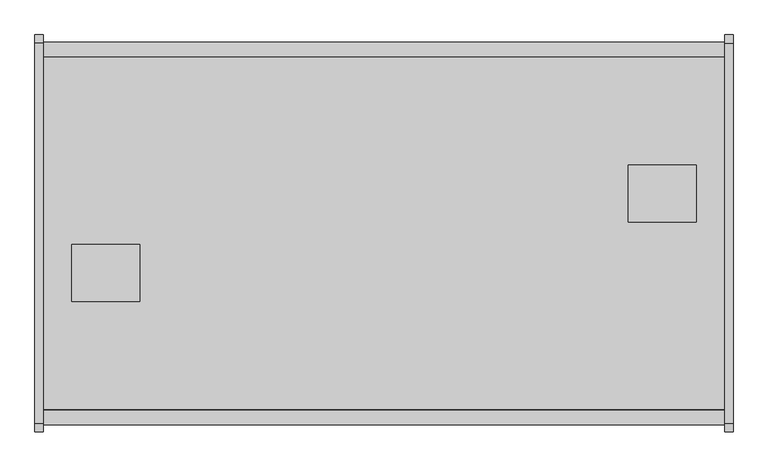
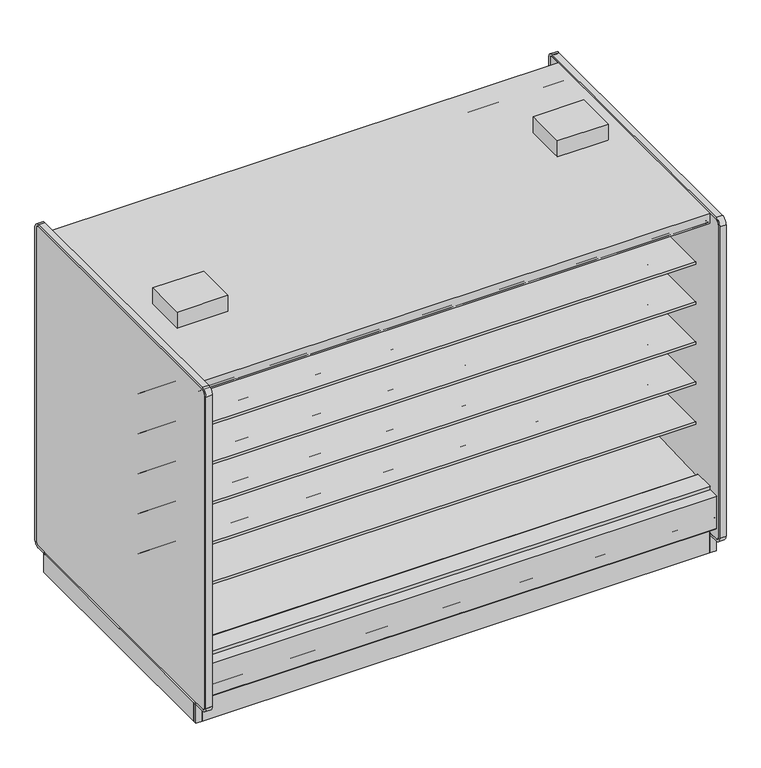
"""IFC4 building model written with IfcOpenShell, lengths in millimetres: proxy geometry."""

from ifc_helpers import new_model, si_unit, point, frame, frame_2d, origin, origin_with_axes, place, context, project, spatial, polyline, circle_curve, trimmed, segment, composite_curve, outline, extrude, faceted_brep, source, transform, mapped, element, save
from ifc_brep_helpers import plane_surface, revolved_surface, advanced_brep


def mechanical_equipment_3f1a71d0(model_context):
    return source(origin(), model_context, "Body", "SolidModel", [
        extrude(outline(polyline([(0.0, -76.1999999), (0.0, 0.0), (3048.0, 0.0), (3048.0, -76.1999999), (0.0, -76.1999999)])), frame((3048.0, -1111.3633008, 2065.3671599), z_axis=(0.0, 0.08686991344751496, 0.9962196635971514), x_axis=(-1.0, 0.0, 0.0)), (0.0, 0.0, 1.0), 13.3555803),
        extrude(outline(polyline([(0.0, -76.2), (0.0, 0.0), (3048.0, 0.0), (3048.0, -76.2), (0.0, -76.2)])), frame((3048.0, 288.8472236, 2059.4611282), z_axis=(0.0, -0.086869913447515, 0.9962196635971514), x_axis=(-1.0, 0.0, 0.0)), (0.0, 0.0, 1.0), 13.3555803),
        extrude(outline(polyline([(-38.1, -1158.0606273), (-38.1, 424.3593727), (0.0, 424.3593727), (0.0, -1158.0606273), (-38.1, -1158.0606273)])), origin_with_axes(), (0.0, 0.0, 1.0), 117.8306),
        extrude(outline(composite_curve([segment(polyline([(-292.5492106, 428.2688536), (291.885082, 406.4402197), (291.885082, 424.9364317)]), True, "CONTINUOUS"), segment(trimmed(circle_curve(frame_2d((293.942482, 424.9364317)), 2.0574), [point((291.885082, 424.9364317))], [point((293.942482, 426.9938317))], False, "CARTESIAN"), True, "CONTINUOUS"), segment(polyline([(293.942482, 426.9938317), (416.0514424, 426.9938317), (416.0514424, 284.5082843), (302.7767261, 189.4595117), (287.2311894, 190.0023738), (241.8789947, 157.1934642), (177.3766842, 159.4459345), (137.2934582, 192.9404113), (-344.0537782, 221.8688632), (-344.0537782, 428.2688536), (-292.5492106, 428.2688536)]), True, "CONTINUOUS")], self_intersect=False)), frame((0.0, 0.0, 0.0), z_axis=(1.0, 0.0, 0.0), x_axis=(0.0, 1.0, 0.0)), (0.0, 0.0, 1.0), 3048.0),
        extrude(outline(polyline([(392.5474807, -0.0519335), (392.5474807, 194.123201), (411.5974807, 210.1080489), (411.5974807, -0.0519335), (392.5474807, -0.0519335)])), frame((0.0, 0.0, 0.0), z_axis=(1.0, 0.0, 0.0), x_axis=(0.0, 1.0, 0.0)), (0.0, 0.0, 1.0), 3048.0),
        extrude(outline(polyline([(-1139.0106273, 0.0), (-1158.0606273, 0.0), (-1158.0606273, 210.1599825), (-1139.0106273, 194.1751345), (-1139.0106273, 0.0)])), frame((0.0, 0.0, 0.0), z_axis=(1.0, 0.0, 0.0), x_axis=(0.0, 1.0, 0.0)), (0.0, 0.0, 1.0), 3048.0),
        extrude(outline(polyline([(431.8, -424.0006273), (431.8, -678.0006273), (127.0, -678.0006273), (127.0, -424.0006273), (431.8, -424.0006273)])), frame((0.0, 0.0, 2159.2248848), z_axis=(0.0, 0.0, 1.0), x_axis=(1.0, 0.0, 0.0)), (0.0, 0.0, 1.0), 101.6),
        extrude(outline(polyline([(2616.2, -322.4006273), (2616.2, -68.4006273), (2921.0, -68.4006273), (2921.0, -322.4006273), (2616.2, -322.4006273)])), frame((0.0, 0.0, 2159.2248848), z_axis=(0.0, 0.0, 1.0), x_axis=(1.0, 0.0, 0.0)), (0.0, 0.0, 1.0), 101.6),
        extrude(outline(polyline([(3086.1, 424.3593727), (3086.1, -1158.0606273), (3048.0, -1158.0606273), (3048.0, 424.3593727), (3086.1, 424.3593727)])), origin_with_axes(), (0.0, 0.0, 1.0), 117.8306),
        extrude(outline(composite_curve([segment(polyline([(-292.5492106, 1659.986997), (-292.5492106, 1760.7972725), (266.2507894, 1760.7972725), (266.2507894, 1747.3035225), (145.7947875, 1747.3035225), (145.7947875, 1743.0191961), (-193.6128858, 1710.408706)]), True, "CONTINUOUS"), segment(trimmed(circle_curve(frame_2d((-186.7598764, 1647.2795822)), 63.5), [point((-193.6128858, 1710.408706))], [point((-226.8243495, 1696.545067))], True, "CARTESIAN"), True, "CONTINUOUS"), segment(polyline([(-226.8243495, 1696.545067), (-265.0460501, 1665.4617985)]), True, "CONTINUOUS"), segment(trimmed(circle_curve(frame_2d((-280.9533727, 1684.8267077)), 25.0607786), [point((-265.0460501, 1665.4617985))], [point((-281.4413184, 1659.7706798))], False, "CARTESIAN"), True, "CONTINUOUS"), segment(polyline([(-281.4413184, 1659.7706798), (-292.5492106, 1659.986997)]), True, "CONTINUOUS")], self_intersect=False)), frame((0.0, 0.0, 0.0), z_axis=(1.0, 0.0, 0.0), x_axis=(0.0, 1.0, 0.0)), (0.0, 0.0, 1.0), 3048.0),
        extrude(outline(composite_curve([segment(polyline([(-292.5492106, 643.986997), (-292.5492106, 744.7972725), (266.2507894, 744.7972725), (266.2507894, 731.3035225), (145.7947875, 731.3035225), (145.7947875, 727.0191961), (-193.6128858, 694.408706)]), True, "CONTINUOUS"), segment(trimmed(circle_curve(frame_2d((-186.7598764, 631.2795822)), 63.5), [point((-193.6128858, 694.408706))], [point((-226.8243495, 680.545067))], True, "CARTESIAN"), True, "CONTINUOUS"), segment(polyline([(-226.8243495, 680.545067), (-265.0460501, 649.4617985)]), True, "CONTINUOUS"), segment(trimmed(circle_curve(frame_2d((-280.9533727, 668.8267077)), 25.0607786), [point((-265.0460501, 649.4617985))], [point((-281.4413184, 643.7706798))], False, "CARTESIAN"), True, "CONTINUOUS"), segment(polyline([(-281.4413184, 643.7706798), (-292.5492106, 643.986997)]), True, "CONTINUOUS")], self_intersect=False)), frame((0.0, 0.0, 0.0), z_axis=(1.0, 0.0, 0.0), x_axis=(0.0, 1.0, 0.0)), (0.0, 0.0, 1.0), 3048.0),
        extrude(outline(composite_curve([segment(polyline([(-292.5492106, 897.986997), (-292.5492106, 998.7972725), (266.2507894, 998.7972725), (266.2507894, 985.3035225), (145.7947875, 985.3035225), (145.7947875, 981.0191961), (-193.6128858, 948.408706)]), True, "CONTINUOUS"), segment(trimmed(circle_curve(frame_2d((-186.7598764, 885.2795822)), 63.5), [point((-193.6128858, 948.408706))], [point((-226.8243495, 934.545067))], True, "CARTESIAN"), True, "CONTINUOUS"), segment(polyline([(-226.8243495, 934.545067), (-265.0460501, 903.4617985)]), True, "CONTINUOUS"), segment(trimmed(circle_curve(frame_2d((-280.9533727, 922.8267077)), 25.0607786), [point((-265.0460501, 903.4617985))], [point((-281.4413184, 897.7706798))], False, "CARTESIAN"), True, "CONTINUOUS"), segment(polyline([(-281.4413184, 897.7706798), (-292.5492106, 897.986997)]), True, "CONTINUOUS")], self_intersect=False)), frame((0.0, 0.0, 0.0), z_axis=(1.0, 0.0, 0.0), x_axis=(0.0, 1.0, 0.0)), (0.0, 0.0, 1.0), 3048.0),
        extrude(outline(composite_curve([segment(polyline([(-292.5492106, 1151.986997), (-292.5492106, 1252.7972725), (266.2507894, 1252.7972725), (266.2507894, 1239.3035225), (145.7947875, 1239.3035225), (145.7947875, 1235.0191961), (-193.6128858, 1202.408706)]), True, "CONTINUOUS"), segment(trimmed(circle_curve(frame_2d((-186.7598764, 1139.2795822)), 63.5), [point((-193.6128858, 1202.408706))], [point((-226.8243495, 1188.545067))], True, "CARTESIAN"), True, "CONTINUOUS"), segment(polyline([(-226.8243495, 1188.545067), (-265.0460501, 1157.4617985)]), True, "CONTINUOUS"), segment(trimmed(circle_curve(frame_2d((-280.9533727, 1176.8267077)), 25.0607786), [point((-265.0460501, 1157.4617985))], [point((-281.4413184, 1151.7706798))], False, "CARTESIAN"), True, "CONTINUOUS"), segment(polyline([(-281.4413184, 1151.7706798), (-292.5492106, 1151.986997)]), True, "CONTINUOUS")], self_intersect=False)), frame((0.0, 0.0, 0.0), z_axis=(1.0, 0.0, 0.0), x_axis=(0.0, 1.0, 0.0)), (0.0, 0.0, 1.0), 3048.0),
        extrude(outline(composite_curve([segment(polyline([(-292.5492106, 1405.986997), (-292.5492106, 1506.7972725), (266.2507894, 1506.7972725), (266.2507894, 1493.3035225), (145.7947875, 1493.3035225), (145.7947875, 1489.0191961), (-193.6128858, 1456.408706)]), True, "CONTINUOUS"), segment(trimmed(circle_curve(frame_2d((-186.7598764, 1393.2795822)), 63.5), [point((-193.6128858, 1456.408706))], [point((-226.8243495, 1442.545067))], True, "CARTESIAN"), True, "CONTINUOUS"), segment(polyline([(-226.8243495, 1442.545067), (-265.0460501, 1411.4617985)]), True, "CONTINUOUS"), segment(trimmed(circle_curve(frame_2d((-280.9533727, 1430.8267077)), 25.0607786), [point((-265.0460501, 1411.4617985))], [point((-281.4413184, 1405.7706798))], False, "CARTESIAN"), True, "CONTINUOUS"), segment(polyline([(-281.4413184, 1405.7706798), (-292.5492106, 1405.986997)]), True, "CONTINUOUS")], self_intersect=False)), frame((0.0, 0.0, 0.0), z_axis=(1.0, 0.0, 0.0), x_axis=(0.0, 1.0, 0.0)), (0.0, 0.0, 1.0), 3048.0),
        extrude(outline(composite_curve([segment(polyline([(-94.7483469, 2070.6501297), (-292.5492106, 2070.6501297), (-292.5492106, 428.2688536), (-344.0537782, 428.2688536), (-344.0537782, 2096.4201079), (398.3751091, 2096.4201079), (398.3751091, 2092.4645258)]), True, "CONTINUOUS"), segment(trimmed(circle_curve(frame_2d((395.8351091, 2092.4645258)), 2.54), [point((398.3751091, 2092.4645258))], [point((395.8351091, 2089.9245258))], False, "CARTESIAN"), True, "CONTINUOUS"), segment(polyline([(395.8351091, 2089.9245258), (381.1085354, 2089.9245258)]), True, "CONTINUOUS"), segment(trimmed(circle_curve(frame_2d((381.1085354, 2087.3845258)), 2.54), [point((381.1085354, 2089.9245258))], [point((378.5685354, 2087.3845258))], True, "CARTESIAN"), True, "CONTINUOUS"), segment(polyline([(378.5685354, 2087.3845258), (378.5685354, 2074.4415989)]), True, "CONTINUOUS"), segment(trimmed(circle_curve(frame_2d((376.0285354, 2074.4415989)), 2.54), [point((378.5685354, 2074.4415989))], [point((376.0285354, 2071.9015989))], False, "CARTESIAN"), True, "CONTINUOUS"), segment(polyline([(376.0285354, 2071.9015989), (367.3424655, 2071.9015989)]), True, "CONTINUOUS"), segment(trimmed(circle_curve(frame_2d((367.3424655, 2074.4415989)), 2.54), [point((367.3424655, 2071.9015989))], [point((364.8024655, 2074.4415989))], False, "CARTESIAN"), True, "CONTINUOUS"), segment(polyline([(364.8024655, 2074.4415989), (364.8024655, 2080.1715419), (286.911575, 2073.3794907), (286.9575805, 2070.6501297), (-94.7483469, 2070.6501297)]), True, "CONTINUOUS")], self_intersect=False)), frame((0.0, 0.0, 0.0), z_axis=(1.0, 0.0, 0.0), x_axis=(0.0, 1.0, 0.0)), (0.0, 0.0, 1.0), 3048.0),
        extrude(outline(composite_curve([segment(polyline([(-453.852044, 1659.1586039), (-464.9599362, 1658.9422868)]), True, "CONTINUOUS"), segment(trimmed(circle_curve(frame_2d((-465.4478819, 1683.9983146)), 25.0607786), [point((-464.9599362, 1658.9422868))], [point((-481.3552045, 1664.6334054))], False, "CARTESIAN"), True, "CONTINUOUS"), segment(polyline([(-481.3552045, 1664.6334054), (-519.5769051, 1695.716674)]), True, "CONTINUOUS"), segment(trimmed(circle_curve(frame_2d((-559.6413782, 1646.4511892)), 63.5), [point((-519.5769051, 1695.716674))], [point((-552.7883688, 1709.5803129))], True, "CARTESIAN"), True, "CONTINUOUS"), segment(polyline([(-552.7883688, 1709.5803129), (-892.1960421, 1742.190803), (-892.1960421, 1746.4751294), (-1012.652044, 1746.4751294), (-1012.652044, 1759.9688794), (-453.852044, 1759.9688794), (-453.852044, 1659.1586039)]), True, "CONTINUOUS")], self_intersect=False)), frame((0.0, 0.0, 0.0), z_axis=(1.0, 0.0, 0.0), x_axis=(0.0, 1.0, 0.0)), (0.0, 0.0, 1.0), 3048.0),
        extrude(outline(composite_curve([segment(polyline([(-453.852044, 643.1586039), (-464.9599362, 642.9422868)]), True, "CONTINUOUS"), segment(trimmed(circle_curve(frame_2d((-465.4478819, 667.9983146)), 25.0607786), [point((-464.9599362, 642.9422868))], [point((-481.3552045, 648.6334054))], False, "CARTESIAN"), True, "CONTINUOUS"), segment(polyline([(-481.3552045, 648.6334054), (-519.5769051, 679.716674)]), True, "CONTINUOUS"), segment(trimmed(circle_curve(frame_2d((-559.6413782, 630.4511892)), 63.5), [point((-519.5769051, 679.716674))], [point((-552.7883688, 693.5803129))], True, "CARTESIAN"), True, "CONTINUOUS"), segment(polyline([(-552.7883688, 693.5803129), (-892.1960421, 726.190803), (-892.1960421, 730.4751294), (-1012.652044, 730.4751294), (-1012.652044, 743.9688794), (-453.852044, 743.9688794), (-453.852044, 643.1586039)]), True, "CONTINUOUS")], self_intersect=False)), frame((0.0, 0.0, 0.0), z_axis=(1.0, 0.0, 0.0), x_axis=(0.0, 1.0, 0.0)), (0.0, 0.0, 1.0), 3048.0),
        extrude(outline(composite_curve([segment(polyline([(-453.852044, 897.1586039), (-464.9599362, 896.9422868)]), True, "CONTINUOUS"), segment(trimmed(circle_curve(frame_2d((-465.4478819, 921.9983146)), 25.0607786), [point((-464.9599362, 896.9422868))], [point((-481.3552045, 902.6334054))], False, "CARTESIAN"), True, "CONTINUOUS"), segment(polyline([(-481.3552045, 902.6334054), (-519.5769051, 933.716674)]), True, "CONTINUOUS"), segment(trimmed(circle_curve(frame_2d((-559.6413782, 884.4511892)), 63.5), [point((-519.5769051, 933.716674))], [point((-552.7883688, 947.5803129))], True, "CARTESIAN"), True, "CONTINUOUS"), segment(polyline([(-552.7883688, 947.5803129), (-892.1960421, 980.190803), (-892.1960421, 984.4751294), (-1012.652044, 984.4751294), (-1012.652044, 997.9688794), (-453.852044, 997.9688794), (-453.852044, 897.1586039)]), True, "CONTINUOUS")], self_intersect=False)), frame((0.0, 0.0, 0.0), z_axis=(1.0, 0.0, 0.0), x_axis=(0.0, 1.0, 0.0)), (0.0, 0.0, 1.0), 3048.0),
        extrude(outline(composite_curve([segment(polyline([(-453.852044, 1151.1586039), (-464.9599362, 1150.9422868)]), True, "CONTINUOUS"), segment(trimmed(circle_curve(frame_2d((-465.4478819, 1175.9983146)), 25.0607786), [point((-464.9599362, 1150.9422868))], [point((-481.3552045, 1156.6334054))], False, "CARTESIAN"), True, "CONTINUOUS"), segment(polyline([(-481.3552045, 1156.6334054), (-519.5769051, 1187.716674)]), True, "CONTINUOUS"), segment(trimmed(circle_curve(frame_2d((-559.6413782, 1138.4511892)), 63.5), [point((-519.5769051, 1187.716674))], [point((-552.7883688, 1201.5803129))], True, "CARTESIAN"), True, "CONTINUOUS"), segment(polyline([(-552.7883688, 1201.5803129), (-892.1960421, 1234.190803), (-892.1960421, 1238.4751294), (-1012.652044, 1238.4751294), (-1012.652044, 1251.9688794), (-453.852044, 1251.9688794), (-453.852044, 1151.1586039)]), True, "CONTINUOUS")], self_intersect=False)), frame((0.0, 0.0, 0.0), z_axis=(1.0, 0.0, 0.0), x_axis=(0.0, 1.0, 0.0)), (0.0, 0.0, 1.0), 3048.0),
        extrude(outline(composite_curve([segment(polyline([(-453.852044, 1405.1586039), (-464.9599362, 1404.9422868)]), True, "CONTINUOUS"), segment(trimmed(circle_curve(frame_2d((-465.4478819, 1429.9983146)), 25.0607786), [point((-464.9599362, 1404.9422868))], [point((-481.3552045, 1410.6334054))], False, "CARTESIAN"), True, "CONTINUOUS"), segment(polyline([(-481.3552045, 1410.6334054), (-519.5769051, 1441.716674)]), True, "CONTINUOUS"), segment(trimmed(circle_curve(frame_2d((-559.6413782, 1392.4511892)), 63.5), [point((-519.5769051, 1441.716674))], [point((-552.7883688, 1455.5803129))], True, "CARTESIAN"), True, "CONTINUOUS"), segment(polyline([(-552.7883688, 1455.5803129), (-892.1960421, 1488.190803), (-892.1960421, 1492.4751294), (-1012.652044, 1492.4751294), (-1012.652044, 1505.9688794), (-453.852044, 1505.9688794), (-453.852044, 1405.1586039)]), True, "CONTINUOUS")], self_intersect=False)), frame((0.0, 0.0, 0.0), z_axis=(1.0, 0.0, 0.0), x_axis=(0.0, 1.0, 0.0)), (0.0, 0.0, 1.0), 3048.0),
        extrude(outline(composite_curve([segment(trimmed(circle_curve(frame_2d((-1224.1006273, 201.3982889)), 6.35), [point((-1220.9264382, 195.8985595))], [point((-1230.4506273, 201.3982889))], False, "CARTESIAN"), True, "CONTINUOUS"), segment(polyline([(-1230.4506273, 201.3982889), (-1230.4506273, 404.6728), (-1162.452697, 404.6728), (-1162.452697, 391.9982), (-1213.6612273, 391.9982), (-1213.6612273, 256.8144254), (-1173.6099725, 223.2074323), (-1220.9264382, 195.8985595)]), True, "CONTINUOUS")], self_intersect=False)), frame((0.0, 0.0, 0.0), z_axis=(1.0, 0.0, 0.0), x_axis=(0.0, 1.0, 0.0)), (0.0, 0.0, 1.0), 3048.0),
        extrude(outline(composite_curve([segment(polyline([(474.5251836, 195.8985595), (427.2087179, 223.2074323), (467.2599727, 256.8144254), (467.2599727, 391.9982), (416.0514424, 391.9982), (416.0514424, 404.6728), (484.0493727, 404.6728), (484.0493727, 201.3982889)]), True, "CONTINUOUS"), segment(trimmed(circle_curve(frame_2d((477.6993727, 201.3982889)), 6.35), [point((484.0493727, 201.3982889))], [point((474.5251836, 195.8985595))], False, "CARTESIAN"), True, "CONTINUOUS")], self_intersect=False)), frame((0.0, 0.0, 0.0), z_axis=(1.0, 0.0, 0.0), x_axis=(0.0, 1.0, 0.0)), (0.0, 0.0, 1.0), 3048.0),
        extrude(outline(polyline([(-1063.1620247, 130.5306), (-1213.6612273, 256.8144254), (-1213.6612273, 391.9982), (-1162.452697, 391.9982), (-1162.452697, 284.5082843), (-1049.1779807, 189.4595117), (-1033.632444, 190.0023738), (-988.2802493, 157.1934642), (-923.7779388, 159.4459345), (-883.6947128, 192.9404113), (-402.3474764, 221.8688632), (-402.3474764, 2096.4201079), (-1162.452697, 2096.4201079), (-1162.452697, 2159.0), (416.0514424, 2159.0), (416.0514424, 2096.4201079), (-344.0537782, 2096.4201079), (-344.0537782, 221.8688632), (137.2934582, 192.9404113), (177.3766842, 159.4459345), (241.8789947, 157.1934642), (287.2311894, 190.0023738), (302.7767261, 189.4595117), (416.0514424, 284.5082843), (416.0514424, 391.9982), (467.2599727, 391.9982), (467.2599727, 256.8144254), (316.7607701, 130.5306), (-1063.1620247, 130.5306)])), frame((0.0, 0.0, 0.0), z_axis=(1.0, 0.0, 0.0), x_axis=(0.0, 1.0, 0.0)), (0.0, 0.0, 1.0), 3048.0),
        extrude(outline(composite_curve([segment(polyline([(-639.2465773, 2071.0201079), (-1033.3525988, 2071.0201079), (-1033.3128296, 2073.3794907), (-1111.2037201, 2080.1715419), (-1111.2037201, 2074.4415989)]), True, "CONTINUOUS"), segment(trimmed(circle_curve(frame_2d((-1113.7437201, 2074.4415989)), 2.54), [point((-1111.2037201, 2074.4415989))], [point((-1113.7437201, 2071.9015989))], False, "CARTESIAN"), True, "CONTINUOUS"), segment(polyline([(-1113.7437201, 2071.9015989), (-1122.42979, 2071.9015989)]), True, "CONTINUOUS"), segment(trimmed(circle_curve(frame_2d((-1122.42979, 2074.4415989)), 2.54), [point((-1122.42979, 2071.9015989))], [point((-1124.96979, 2074.4415989))], False, "CARTESIAN"), True, "CONTINUOUS"), segment(polyline([(-1124.96979, 2074.4415989), (-1124.96979, 2087.3845258)]), True, "CONTINUOUS"), segment(trimmed(circle_curve(frame_2d((-1127.50979, 2087.3845258)), 2.54), [point((-1124.96979, 2087.3845258))], [point((-1127.50979, 2089.9245258))], True, "CARTESIAN"), True, "CONTINUOUS"), segment(polyline([(-1127.50979, 2089.9245258), (-1142.2363637, 2089.9245258)]), True, "CONTINUOUS"), segment(trimmed(circle_curve(frame_2d((-1142.2363637, 2092.4645258)), 2.54), [point((-1142.2363637, 2089.9245258))], [point((-1144.7763637, 2092.4645258))], False, "CARTESIAN"), True, "CONTINUOUS"), segment(polyline([(-1144.7763637, 2092.4645258), (-1144.7763637, 2096.4201079), (-402.3474764, 2096.4201079), (-402.3474764, 428.2688536), (-453.852044, 428.2688536), (-453.852044, 2071.0201079), (-639.2465773, 2071.0201079)]), True, "CONTINUOUS")], self_intersect=False)), frame((0.0, 0.0, 0.0), z_axis=(1.0, 0.0, 0.0), x_axis=(0.0, 1.0, 0.0)), (0.0, 0.0, 1.0), 3048.0),
        extrude(outline(polyline([(0.0, 424.3593727), (0.0, -1139.0106273), (-38.1, -1139.0106273), (-38.1, 424.3593727), (0.0, 424.3593727)])), origin_with_axes(), (0.0, 0.0, 1.0), 117.8306),
        advanced_brep(
        [(3048.0, -995.5006273, 0.0), (3048.0, -918.6839153, 0.0), (3048.0, -918.6839153, 74.8810382), (3048.0, 173.3438727, 74.8810382), (3048.0, 173.3438727, 0.0), (3048.0, 220.8672286, 0.0), (3048.0, 220.8672286, 130.5306), (3048.0, -995.5006273, 130.5306), (0.0, -995.5006273, 0.0), (0.0, -995.5006273, 130.5306), (0.0, 220.8672286, 130.5306), (0.0, 220.8672286, 0.0), (0.0, 173.3438727, 0.0), (0.0, 173.3438727, 74.8810382), (0.0, -918.6839153, 74.8810382), (0.0, -918.6839153, 0.0), (1476.3826367, -918.6839153, 0.0), (1473.2, -936.3821273, 0.0), (1574.8, -936.3821273, 0.0), (1571.6173633, -918.6839153, 0.0), (2781.0239057, -918.6839153, 0.0), (2776.5375, -939.5571273, 0.0), (2878.1375, -939.5571273, 0.0), (2873.6510943, -918.6839153, 0.0), (2873.6510943, -918.6839153, 74.8810382), (1476.3826367, -918.6839153, 74.8810382), (1571.6173633, -918.6839153, 74.8810382), (2781.0239057, -918.6839153, 74.8810382), (173.8851053, 173.3438727, 74.8810382), (267.4398947, 173.3438727, 74.8810382), (1476.0015601, 173.3438727, 74.8810382), (1571.9984399, 173.3438727, 74.8810382), (1473.2, -936.3821273, 127.0), (1574.8, -936.3821273, 127.0), (2776.5375, -939.5571273, 127.0), (2878.1375, -939.5571273, 127.0), (1571.9984399, 173.3438727, 0.0), (173.8851053, 173.3438727, 0.0), (267.4398947, 173.3438727, 0.0), (1476.0015601, 173.3438727, 0.0), (1574.8, 189.9808727, 0.0), (1564.3320346, 220.8672286, 0.0), (178.0864416, 220.8672286, 0.0), (169.8625, 193.1558727, 0.0), (271.4625, 193.1558727, 0.0), (263.2385584, 220.8672286, 0.0), (1483.6679654, 220.8672286, 0.0), (1473.2, 189.9808727, 0.0), (1564.3320346, 220.8672286, 127.0), (1483.6679654, 220.8672286, 127.0), (263.2385584, 220.8672286, 127.0), (178.0864416, 220.8672286, 127.0), (271.4625, 193.1558727, 127.0), (169.8625, 193.1558727, 127.0), (1574.8, 189.9808727, 127.0), (1473.2, 189.9808727, 127.0)],
        [
            (0, 1),
            (1, 2),
            (2, 3),
            (3, 4),
            (4, 5),
            (5, 6),
            (6, 7),
            (7, 0),
            (8, 9),
            (9, 10),
            (10, 11),
            (11, 12),
            (12, 13),
            (13, 14),
            (14, 15),
            (15, 8),
            (6, 10),
            (9, 7),
            (8, 0),
            (15, 16),
            (16, 17, circle_curve(frame((1524.0, -936.3821273, 0.0), z_axis=(0.0, 0.0, 1.0), x_axis=(1.0, 0.0, 0.0)), 50.8)),
            (17, 18, circle_curve(frame((1524.0, -936.3821273, 0.0), z_axis=(0.0, 0.0, 1.0), x_axis=(1.0, 0.0, 0.0)), 50.8)),
            (18, 19, circle_curve(frame((1524.0, -936.3821273, 0.0), z_axis=(0.0, 0.0, 1.0), x_axis=(1.0, 0.0, 0.0)), 50.8)),
            (19, 20),
            (20, 21, circle_curve(frame((2827.3375, -939.5571273, 0.0), z_axis=(0.0, 0.0, 1.0), x_axis=(1.0, 0.0, 0.0)), 50.8)),
            (21, 22, circle_curve(frame((2827.3375, -939.5571273, 0.0), z_axis=(0.0, 0.0, 1.0), x_axis=(1.0, 0.0, 0.0)), 50.8)),
            (22, 23, circle_curve(frame((2827.3375, -939.5571273, 0.0), z_axis=(0.0, 0.0, 1.0), x_axis=(1.0, 0.0, 0.0)), 50.8)),
            (23, 1),
            (23, 24),
            (24, 2),
            (14, 25),
            (25, 16),
            (19, 26),
            (26, 27),
            (27, 20),
            (24, 27, circle_curve(frame((2827.3375, -939.5571273, 74.8810382), z_axis=(0.0, 0.0, 1.0), x_axis=(1.0, 0.0, 0.0)), 50.8)),
            (26, 25, circle_curve(frame((1524.0, -936.3821273, 74.8810382), z_axis=(0.0, 0.0, 1.0), x_axis=(1.0, 0.0, 0.0)), 50.8)),
            (13, 28),
            (28, 29, circle_curve(frame((220.6625, 193.1558727, 74.8810382), z_axis=(0.0, 0.0, 1.0), x_axis=(-1.0, 0.0, 0.0)), 50.8)),
            (29, 30),
            (30, 31, circle_curve(frame((1524.0, 189.9808727, 74.8810382), z_axis=(0.0, 0.0, 1.0), x_axis=(1.0, 0.0, 0.0)), 50.8)),
            (31, 3),
            (32, 33, circle_curve(frame((1524.0, -936.3821273, 127.0), z_axis=(0.0, 0.0, -1.0), x_axis=(1.0, 0.0, 0.0)), 50.8)),
            (33, 32, circle_curve(frame((1524.0, -936.3821273, 127.0), z_axis=(0.0, 0.0, -1.0), x_axis=(1.0, 0.0, 0.0)), 50.8)),
            (33, 18),
            (17, 32),
            (34, 35, circle_curve(frame((2827.3375, -939.5571273, 127.0), z_axis=(0.0, 0.0, -1.0), x_axis=(1.0, 0.0, 0.0)), 50.8)),
            (35, 34, circle_curve(frame((2827.3375, -939.5571273, 127.0), z_axis=(0.0, 0.0, -1.0), x_axis=(1.0, 0.0, 0.0)), 50.8)),
            (35, 22),
            (21, 34),
            (31, 36),
            (36, 4),
            (12, 37),
            (37, 28),
            (29, 38),
            (38, 39),
            (39, 30),
            (36, 40, circle_curve(frame((1524.0, 189.9808727, 0.0), z_axis=(0.0, 0.0, 1.0), x_axis=(1.0, 0.0, 0.0)), 50.8)),
            (40, 41, circle_curve(frame((1524.0, 189.9808727, 0.0), z_axis=(0.0, 0.0, 1.0), x_axis=(1.0, 0.0, 0.0)), 50.8)),
            (41, 5),
            (11, 42),
            (42, 43, circle_curve(frame((220.6625, 193.1558727, 0.0), z_axis=(0.0, 0.0, 1.0), x_axis=(-1.0, 0.0, 0.0)), 50.8)),
            (43, 37, circle_curve(frame((220.6625, 193.1558727, 0.0), z_axis=(0.0, 0.0, 1.0), x_axis=(-1.0, 0.0, 0.0)), 50.8)),
            (44, 45, circle_curve(frame((220.6625, 193.1558727, 0.0), z_axis=(0.0, 0.0, 1.0), x_axis=(-1.0, 0.0, 0.0)), 50.8)),
            (45, 46),
            (46, 47, circle_curve(frame((1524.0, 189.9808727, 0.0), z_axis=(0.0, 0.0, 1.0), x_axis=(1.0, 0.0, 0.0)), 50.8)),
            (47, 39, circle_curve(frame((1524.0, 189.9808727, 0.0), z_axis=(0.0, 0.0, 1.0), x_axis=(1.0, 0.0, 0.0)), 50.8)),
            (38, 44, circle_curve(frame((220.6625, 193.1558727, 0.0), z_axis=(0.0, 0.0, 1.0), x_axis=(-1.0, 0.0, 0.0)), 50.8)),
            (41, 48),
            (48, 49),
            (49, 46),
            (45, 50),
            (50, 51),
            (51, 42),
            (52, 53, circle_curve(frame((220.6625, 193.1558727, 127.0), z_axis=(0.0, 0.0, -1.0), x_axis=(-1.0, 0.0, 0.0)), 50.8)),
            (53, 51, circle_curve(frame((220.6625, 193.1558727, 127.0), z_axis=(0.0, 0.0, -1.0), x_axis=(-1.0, 0.0, 0.0)), 50.8)),
            (50, 52, circle_curve(frame((220.6625, 193.1558727, 127.0), z_axis=(0.0, 0.0, -1.0), x_axis=(-1.0, 0.0, 0.0)), 50.8)),
            (44, 52),
            (53, 43),
            (54, 55, circle_curve(frame((1524.0, 189.9808727, 127.0), z_axis=(0.0, 0.0, -1.0), x_axis=(1.0, 0.0, 0.0)), 50.8)),
            (55, 49, circle_curve(frame((1524.0, 189.9808727, 127.0), z_axis=(0.0, 0.0, -1.0), x_axis=(1.0, 0.0, 0.0)), 50.8)),
            (48, 54, circle_curve(frame((1524.0, 189.9808727, 127.0), z_axis=(0.0, 0.0, -1.0), x_axis=(1.0, 0.0, 0.0)), 50.8)),
            (40, 54),
            (55, 47),
        ],
        [
            plane_surface(frame((3048.0, -921.3326273, 0.0), z_axis=(1.0, 0.0, 0.0), x_axis=(0.0, 1.0, 0.0))),
            plane_surface(frame((0.0, -921.3326273, 0.0), z_axis=(-1.0, 0.0, 0.0), x_axis=(0.0, -1.0, 0.0))),
            plane_surface(frame((3048.0, 220.8672286, 130.5306), z_axis=(0.0, 0.0, 1.0), x_axis=(-1.0, 0.0, 0.0))),
            plane_surface(frame((3048.0, -995.5006273, 130.5306), z_axis=(0.0, -1.0, 0.0), x_axis=(-1.0, 0.0, 0.0))),
            plane_surface(frame((3048.0, -995.5006273, 0.0), z_axis=(0.0, 0.0, -1.0), x_axis=(-1.0, 0.0, 0.0))),
            plane_surface(frame((3048.0, -918.6839153, 0.0), z_axis=(0.0, 1.0, 0.0), x_axis=(-1.0, 0.0, 0.0))),
            plane_surface(frame((3048.0, -918.6839153, 74.8810382), z_axis=(0.0, 0.0, -1.0), x_axis=(-1.0, 0.0, 0.0))),
            plane_surface(frame((1574.8, -936.3821273, 127.0), z_axis=(0.0, 0.0, -1.0), x_axis=(0.0, 1.0, 0.0))),
            revolved_surface(polyline([(1574.8, -936.3821273, 127.0), (1574.8, -936.3821273, 0.0)]), (1524.0, -936.3821273, 0.0), (0.0, 0.0, 1.0)),
            plane_surface(frame((2878.1375, -939.5571273, 127.0), z_axis=(0.0, 0.0, -1.0), x_axis=(0.0, 1.0, 0.0))),
            revolved_surface(polyline([(2878.1375000000003, -939.5571273, 127.0), (2878.1375000000003, -939.5571273, 0.0)]), (2827.3375, -939.5571273, 0.0), (0.0, 0.0, 1.0)),
            plane_surface(frame((3048.0, 173.3438727, 74.8810382), z_axis=(0.0, -1.0, 0.0), x_axis=(-1.0, 0.0, 0.0))),
            plane_surface(frame((3048.0, 173.3438727, 0.0), z_axis=(0.0, 0.0, -1.0), x_axis=(-1.0, 0.0, 0.0))),
            plane_surface(frame((3048.0, 220.8672286, 0.0), z_axis=(0.0, 1.0, 0.0), x_axis=(-1.0, 0.0, 0.0))),
            plane_surface(frame((169.8625, 193.1558727, 127.0), z_axis=(0.0, 0.0, -1.0), x_axis=(0.0, -1.0, 0.0))),
            revolved_surface(polyline([(169.8625, 193.1558727, 127.0), (169.8625, 193.1558727, 0.0)]), (220.6625, 193.1558727, 0.0), (0.0, 0.0, 1.0)),
            plane_surface(frame((1574.8, 189.9808727, 127.0), z_axis=(0.0, 0.0, -1.0), x_axis=(0.0, 1.0, 0.0))),
            revolved_surface(polyline([(1574.8, 189.9808727, 127.0), (1574.8, 189.9808727, 0.0)]), (1524.0, 189.9808727, 0.0), (0.0, 0.0, 1.0)),
        ],
        [
            (0, [[1, 2, 3, 4, 5, 6, 7, 8]]),
            (1, [[9, 10, 11, 12, 13, 14, 15, 16]]),
            (2, [[-7, 17, -10, 18]]),
            (3, [[-8, -18, -9, 19]]),
            (4, [[-1, -19, -16, 20, 21, 22, 23, 24, 25, 26, 27, 28]]),
            (5, [[-2, -28, 29, 30]]),
            (5, [[-15, 31, 32, -20]]),
            (5, [[33, 34, 35, -24]]),
            (6, [[-3, -30, 36, -34, 37, -31, -14, 38, 39, 40, 41, 42]]),
            (7, [[43, 44]]),
            (8, [[-44, 45, -22, 46]]),
            (8, [[-43, -46, -21, -32, -37, -33, -23, -45]]),
            (9, [[47, 48]]),
            (10, [[-48, 49, -26, 50]]),
            (10, [[-47, -50, -25, -35, -36, -29, -27, -49]]),
            (11, [[-4, -42, 51, 52]]),
            (11, [[-13, 53, 54, -38]]),
            (11, [[55, 56, 57, -40]]),
            (12, [[-5, -52, 58, 59, 60]]),
            (12, [[-12, 61, 62, 63, -53]]),
            (12, [[64, 65, 66, 67, -56, 68]]),
            (13, [[-6, -60, 69, 70, 71, -65, 72, 73, 74, -61, -11, -17]]),
            (14, [[75, 76, -73, 77]]),
            (15, [[78, -77, -72, -64]]),
            (15, [[79, -62, -74, -76]]),
            (15, [[-75, -78, -68, -55, -39, -54, -63, -79]]),
            (16, [[80, 81, -70, 82]]),
            (17, [[83, -82, -69, -59]]),
            (17, [[84, -66, -71, -81]]),
            (17, [[-80, -83, -58, -51, -41, -57, -67, -84]]),
        ],
    ),
        extrude(outline(composite_curve([segment(polyline([(-453.852044, 428.2688536), (-402.3474764, 428.2688536), (-402.3474764, 221.8688632), (-883.6947128, 192.9404113), (-923.7779388, 159.4459345), (-988.2802493, 157.1934642), (-1033.632444, 190.0023738), (-1049.1779807, 189.4595117), (-1162.452697, 284.5082843), (-1162.452697, 426.9938317), (-1040.3437366, 426.9938317)]), True, "CONTINUOUS"), segment(trimmed(circle_curve(frame_2d((-1040.3437366, 424.9364317)), 2.0574), [point((-1040.3437366, 426.9938317))], [point((-1038.2863366, 424.9364317))], False, "CARTESIAN"), True, "CONTINUOUS"), segment(polyline([(-1038.2863366, 424.9364317), (-1038.2863366, 406.4402197), (-453.852044, 428.2688536)]), True, "CONTINUOUS")], self_intersect=False)), frame((0.0, 0.0, 0.0), z_axis=(1.0, 0.0, 0.0), x_axis=(0.0, 1.0, 0.0)), (0.0, 0.0, 1.0), 3048.0),
        extrude(outline(composite_curve([segment(polyline([(-1170.7606273, 117.8306), (-1224.093772, 117.8306)]), True, "CONTINUOUS"), segment(trimmed(circle_curve(frame_2d((-1224.093772, 155.9306)), 38.1), [point((-1224.093772, 117.8306))], [point((-1262.193772, 155.9306))], False, "CARTESIAN"), True, "CONTINUOUS"), segment(polyline([(-1262.193772, 155.9306), (-1262.193772, 2133.6)]), True, "CONTINUOUS"), segment(trimmed(circle_curve(frame_2d((-1224.093772, 2133.6)), 38.1), [point((-1262.193772, 2133.6))], [point((-1224.093772, 2171.7))], False, "CARTESIAN"), True, "CONTINUOUS"), segment(polyline([(-1224.093772, 2171.7), (477.6925174, 2171.7)]), True, "CONTINUOUS"), segment(trimmed(circle_curve(frame_2d((477.6925174, 2133.6)), 38.1), [point((477.6925174, 2171.7))], [point((515.7925174, 2133.6))], False, "CARTESIAN"), True, "CONTINUOUS"), segment(polyline([(515.7925174, 2133.6), (515.7925174, 155.9306)]), True, "CONTINUOUS"), segment(trimmed(circle_curve(frame_2d((477.6925174, 155.9306)), 38.1), [point((515.7925174, 155.9306))], [point((477.6925174, 117.8306))], False, "CARTESIAN"), True, "CONTINUOUS"), segment(polyline([(477.6925174, 117.8306), (424.3593727, 117.8306), (411.5974807, 117.8306), (411.5974807, 130.5306), (424.3593727, 130.5306), (477.6925174, 130.5306)]), True, "CONTINUOUS"), segment(trimmed(circle_curve(frame_2d((477.6925174, 155.9306)), 25.4), [point((477.6925174, 130.5306))], [point((503.0925174, 155.9306))], True, "CARTESIAN"), True, "CONTINUOUS"), segment(polyline([(503.0925174, 155.9306), (503.0925174, 2133.6)]), True, "CONTINUOUS"), segment(trimmed(circle_curve(frame_2d((477.6925174, 2133.6)), 25.4), [point((503.0925174, 2133.6))], [point((477.6925174, 2159.0))], True, "CARTESIAN"), True, "CONTINUOUS"), segment(polyline([(477.6925174, 2159.0), (-1224.093772, 2159.0)]), True, "CONTINUOUS"), segment(trimmed(circle_curve(frame_2d((-1224.093772, 2133.6)), 25.4), [point((-1224.093772, 2159.0))], [point((-1249.493772, 2133.6))], True, "CARTESIAN"), True, "CONTINUOUS"), segment(polyline([(-1249.493772, 2133.6), (-1249.493772, 155.9306)]), True, "CONTINUOUS"), segment(trimmed(circle_curve(frame_2d((-1224.093772, 155.9306)), 25.4), [point((-1249.493772, 155.9306))], [point((-1224.093772, 130.5306))], True, "CARTESIAN"), True, "CONTINUOUS"), segment(polyline([(-1224.093772, 130.5306), (-1170.7606273, 130.5306), (-1158.0606273, 130.5306), (-1158.0606273, 117.8306), (-1170.7606273, 117.8306)]), True, "CONTINUOUS")], self_intersect=False)), frame((3048.0, 0.0, 0.0), z_axis=(1.0, 0.0, 0.0), x_axis=(0.0, 1.0, 0.0)), (0.0, 0.0, 1.0), 38.1),
        extrude(outline(composite_curve([segment(polyline([(477.6925174, 130.5306), (-1224.093772, 130.5306)]), True, "CONTINUOUS"), segment(trimmed(circle_curve(frame_2d((-1224.093772, 155.9306)), 25.4), [point((-1224.093772, 130.5306))], [point((-1249.493772, 155.9306))], False, "CARTESIAN"), True, "CONTINUOUS"), segment(polyline([(-1249.493772, 155.9306), (-1249.493772, 2133.6)]), True, "CONTINUOUS"), segment(trimmed(circle_curve(frame_2d((-1224.093772, 2133.6)), 25.4), [point((-1249.493772, 2133.6))], [point((-1224.093772, 2159.0))], False, "CARTESIAN"), True, "CONTINUOUS"), segment(polyline([(-1224.093772, 2159.0), (477.6925174, 2159.0)]), True, "CONTINUOUS"), segment(trimmed(circle_curve(frame_2d((477.6925174, 2133.6)), 25.4), [point((477.6925174, 2159.0))], [point((503.0925174, 2133.6))], False, "CARTESIAN"), True, "CONTINUOUS"), segment(polyline([(503.0925174, 2133.6), (503.0925174, 155.9306)]), True, "CONTINUOUS"), segment(trimmed(circle_curve(frame_2d((477.6925174, 155.9306)), 25.4), [point((503.0925174, 155.9306))], [point((477.6925174, 130.5306))], False, "CARTESIAN"), True, "CONTINUOUS")], self_intersect=False)), frame((3048.0, 0.0, 0.0), z_axis=(1.0, 0.0, 0.0), x_axis=(0.0, 1.0, 0.0)), (0.0, 0.0, 1.0), 38.1),
        extrude(outline(composite_curve([segment(polyline([(-1224.093772, 2171.7), (477.6925174, 2171.7)]), True, "CONTINUOUS"), segment(trimmed(circle_curve(frame_2d((477.6925174, 2133.6)), 38.1), [point((477.6925174, 2171.7))], [point((515.7925174, 2133.6))], False, "CARTESIAN"), True, "CONTINUOUS"), segment(polyline([(515.7925174, 2133.6), (515.7925174, 155.9306)]), True, "CONTINUOUS"), segment(trimmed(circle_curve(frame_2d((477.6925174, 155.9306)), 38.1), [point((515.7925174, 155.9306))], [point((477.6925174, 117.8306))], False, "CARTESIAN"), True, "CONTINUOUS"), segment(polyline([(477.6925174, 117.8306), (424.3593727, 117.8306), (411.5974807, 117.8306), (411.5974807, 130.5306), (424.3593727, 130.5306), (477.6925174, 130.5306)]), True, "CONTINUOUS"), segment(trimmed(circle_curve(frame_2d((477.6925174, 155.9306)), 25.4), [point((477.6925174, 130.5306))], [point((503.0925174, 155.9306))], True, "CARTESIAN"), True, "CONTINUOUS"), segment(polyline([(503.0925174, 155.9306), (503.0925174, 2133.6)]), True, "CONTINUOUS"), segment(trimmed(circle_curve(frame_2d((477.6925174, 2133.6)), 25.4), [point((503.0925174, 2133.6))], [point((477.6925174, 2159.0))], True, "CARTESIAN"), True, "CONTINUOUS"), segment(polyline([(477.6925174, 2159.0), (-1224.093772, 2159.0)]), True, "CONTINUOUS"), segment(trimmed(circle_curve(frame_2d((-1224.093772, 2133.6)), 25.4), [point((-1224.093772, 2159.0))], [point((-1249.493772, 2133.6))], True, "CARTESIAN"), True, "CONTINUOUS"), segment(polyline([(-1249.493772, 2133.6), (-1249.493772, 155.9306)]), True, "CONTINUOUS"), segment(trimmed(circle_curve(frame_2d((-1224.093772, 155.9306)), 25.4), [point((-1249.493772, 155.9306))], [point((-1224.093772, 130.5306))], True, "CARTESIAN"), True, "CONTINUOUS"), segment(polyline([(-1224.093772, 130.5306), (-1170.7606273, 130.5306), (-1158.0606273, 130.5306), (-1158.0606273, 117.8306), (-1170.7606273, 117.8306), (-1224.093772, 117.8306)]), True, "CONTINUOUS"), segment(trimmed(circle_curve(frame_2d((-1224.093772, 155.9306)), 38.1), [point((-1224.093772, 117.8306))], [point((-1262.193772, 155.9306))], False, "CARTESIAN"), True, "CONTINUOUS"), segment(polyline([(-1262.193772, 155.9306), (-1262.193772, 2133.6)]), True, "CONTINUOUS"), segment(trimmed(circle_curve(frame_2d((-1224.093772, 2133.6)), 38.1), [point((-1262.193772, 2133.6))], [point((-1224.093772, 2171.7))], False, "CARTESIAN"), True, "CONTINUOUS")], self_intersect=False)), frame((-38.1, 0.0, 0.0), z_axis=(1.0, 0.0, 0.0), x_axis=(0.0, 1.0, 0.0)), (0.0, 0.0, 1.0), 38.1),
        extrude(outline(composite_curve([segment(polyline([(477.6925174, 130.5306), (-1224.093772, 130.5306)]), True, "CONTINUOUS"), segment(trimmed(circle_curve(frame_2d((-1224.093772, 155.9306)), 25.4), [point((-1224.093772, 130.5306))], [point((-1249.493772, 155.9306))], False, "CARTESIAN"), True, "CONTINUOUS"), segment(polyline([(-1249.493772, 155.9306), (-1249.493772, 2133.6)]), True, "CONTINUOUS"), segment(trimmed(circle_curve(frame_2d((-1224.093772, 2133.6)), 25.4), [point((-1249.493772, 2133.6))], [point((-1224.093772, 2159.0))], False, "CARTESIAN"), True, "CONTINUOUS"), segment(polyline([(-1224.093772, 2159.0), (477.6925174, 2159.0)]), True, "CONTINUOUS"), segment(trimmed(circle_curve(frame_2d((477.6925174, 2133.6)), 25.4), [point((477.6925174, 2159.0))], [point((503.0925174, 2133.6))], False, "CARTESIAN"), True, "CONTINUOUS"), segment(polyline([(503.0925174, 2133.6), (503.0925174, 155.9306)]), True, "CONTINUOUS"), segment(trimmed(circle_curve(frame_2d((477.6925174, 155.9306)), 25.4), [point((503.0925174, 155.9306))], [point((477.6925174, 130.5306))], False, "CARTESIAN"), True, "CONTINUOUS")], self_intersect=False)), frame((-38.1, 0.0, 0.0), z_axis=(1.0, 0.0, 0.0), x_axis=(0.0, 1.0, 0.0)), (0.0, 0.0, 1.0), 38.1),
        extrude(outline(composite_curve([segment(trimmed(circle_curve(frame_2d((1524.0, 189.9808727)), 38.1), [point((1485.9, 189.9808727))], [point((1562.1, 189.9808727))], False, "CARTESIAN"), True, "CONTINUOUS"), segment(trimmed(circle_curve(frame_2d((1524.0, 189.9808727)), 38.1), [point((1562.1, 189.9808727))], [point((1485.9, 189.9808727))], False, "CARTESIAN"), True, "CONTINUOUS")], self_intersect=False)), frame((0.0, 0.0, 61.2666507), z_axis=(0.0, 0.0, 1.0), x_axis=(1.0, 0.0, 0.0)), (0.0, 0.0, 1.0), 65.7333493),
        extrude(outline(composite_curve([segment(trimmed(circle_curve(frame_2d((1524.0, -936.3821273)), 38.1), [point((1485.9, -936.3821273))], [point((1562.1, -936.3821273))], False, "CARTESIAN"), True, "CONTINUOUS"), segment(trimmed(circle_curve(frame_2d((1524.0, -936.3821273)), 38.1), [point((1562.1, -936.3821273))], [point((1485.9, -936.3821273))], False, "CARTESIAN"), True, "CONTINUOUS")], self_intersect=False)), frame((0.0, 0.0, 61.2666507), z_axis=(0.0, 0.0, 1.0), x_axis=(1.0, 0.0, 0.0)), (0.0, 0.0, 1.0), 65.7333493),
        extrude(outline(composite_curve([segment(trimmed(circle_curve(frame_2d((242.6911047, 192.5203719)), 12.7), [point((229.9911047, 192.5203719))], [point((255.3911047, 192.5203719))], False, "CARTESIAN"), True, "CONTINUOUS"), segment(trimmed(circle_curve(frame_2d((242.6911047, 192.5203719)), 12.7), [point((255.3911047, 192.5203719))], [point((229.9911047, 192.5203719))], False, "CARTESIAN"), True, "CONTINUOUS")], self_intersect=False)), frame((0.0, 0.0, 61.2666507), z_axis=(0.0, 0.0, 1.0), x_axis=(1.0, 0.0, 0.0)), (0.0, 0.0, 1.0), 65.7333493),
        extrude(outline(composite_curve([segment(trimmed(circle_curve(frame_2d((191.8911047, 192.5203719)), 9.525), [point((182.3661047, 192.5203719))], [point((201.4161047, 192.5203719))], False, "CARTESIAN"), True, "CONTINUOUS"), segment(trimmed(circle_curve(frame_2d((191.8911047, 192.5203719)), 9.525), [point((201.4161047, 192.5203719))], [point((182.3661047, 192.5203719))], False, "CARTESIAN"), True, "CONTINUOUS")], self_intersect=False)), frame((0.0, 0.0, 61.2666507), z_axis=(0.0, 0.0, 1.0), x_axis=(1.0, 0.0, 0.0)), (0.0, 0.0, 1.0), 65.7333493),
        extrude(outline(composite_curve([segment(trimmed(circle_curve(frame_2d((1854.1027684, 329.7424825)), 6.35), [point((1847.7527684, 329.7424825))], [point((1860.4527684, 329.7424825))], False, "CARTESIAN"), True, "CONTINUOUS"), segment(trimmed(circle_curve(frame_2d((1854.1027684, 329.7424825)), 6.35), [point((1860.4527684, 329.7424825))], [point((1847.7527684, 329.7424825))], False, "CARTESIAN"), True, "CONTINUOUS")], self_intersect=False)), frame((0.0, 0.0, 44.45), z_axis=(0.0, 0.0, 1.0), x_axis=(1.0, 0.0, 0.0)), (0.0, 0.0, 1.0), 6.35),
        extrude(outline(composite_curve([segment(trimmed(circle_curve(frame_2d((1892.2027684, 329.7424825)), 6.35), [point((1885.8527684, 329.7424825))], [point((1898.5527684, 329.7424825))], False, "CARTESIAN"), True, "CONTINUOUS"), segment(trimmed(circle_curve(frame_2d((1892.2027684, 329.7424825)), 6.35), [point((1898.5527684, 329.7424825))], [point((1885.8527684, 329.7424825))], False, "CARTESIAN"), True, "CONTINUOUS")], self_intersect=False)), frame((0.0, 0.0, 44.45), z_axis=(0.0, 0.0, 1.0), x_axis=(1.0, 0.0, 0.0)), (0.0, 0.0, 1.0), 6.35),
        extrude(outline(composite_curve([segment(trimmed(circle_curve(frame_2d((1930.3027684, 329.7424825)), 6.35), [point((1923.9527684, 329.7424825))], [point((1936.6527684, 329.7424825))], False, "CARTESIAN"), True, "CONTINUOUS"), segment(trimmed(circle_curve(frame_2d((1930.3027684, 329.7424825)), 6.35), [point((1936.6527684, 329.7424825))], [point((1923.9527684, 329.7424825))], False, "CARTESIAN"), True, "CONTINUOUS")], self_intersect=False)), frame((0.0, 0.0, 44.45), z_axis=(0.0, 0.0, 1.0), x_axis=(1.0, 0.0, 0.0)), (0.0, 0.0, 1.0), 6.35),
        extrude(outline(composite_curve([segment(trimmed(circle_curve(frame_2d((1968.4027684, 329.7424825)), 6.35), [point((1962.0527684, 329.7424825))], [point((1974.7527684, 329.7424825))], False, "CARTESIAN"), True, "CONTINUOUS"), segment(trimmed(circle_curve(frame_2d((1968.4027684, 329.7424825)), 6.35), [point((1974.7527684, 329.7424825))], [point((1962.0527684, 329.7424825))], False, "CARTESIAN"), True, "CONTINUOUS")], self_intersect=False)), frame((0.0, 0.0, 44.45), z_axis=(0.0, 0.0, 1.0), x_axis=(1.0, 0.0, 0.0)), (0.0, 0.0, 1.0), 6.35),
        extrude(outline(composite_curve([segment(trimmed(circle_curve(frame_2d((2006.5027684, 329.7424825)), 6.35), [point((2000.1527684, 329.7424825))], [point((2012.8527684, 329.7424825))], False, "CARTESIAN"), True, "CONTINUOUS"), segment(trimmed(circle_curve(frame_2d((2006.5027684, 329.7424825)), 6.35), [point((2012.8527684, 329.7424825))], [point((2000.1527684, 329.7424825))], False, "CARTESIAN"), True, "CONTINUOUS")], self_intersect=False)), frame((0.0, 0.0, 44.45), z_axis=(0.0, 0.0, 1.0), x_axis=(1.0, 0.0, 0.0)), (0.0, 0.0, 1.0), 6.35),
        extrude(outline(polyline([(1822.3527684, 364.6674825), (2037.5379173, 364.6674825), (2037.5379173, 294.8174825), (1822.3527684, 294.8174825), (1822.3527684, 364.6674825)])), frame((0.0, 0.0, 44.45), z_axis=(0.0, 0.0, 1.0), x_axis=(1.0, 0.0, 0.0)), (0.0, 0.0, 1.0), 6.35),
        extrude(outline(polyline([(457.2, -1044.3321273), (457.2, -1108.244384), (254.0, -1108.244384), (254.0, -1044.3321273), (457.2, -1044.3321273)])), frame((0.0, 0.0, 44.45), z_axis=(0.0, 0.0, 1.0), x_axis=(1.0, 0.0, 0.0)), (0.0, 0.0, 1.0), 6.35),
        faceted_brep([(3048.0, -1139.0106273, 194.1751345), (3048.0, -1139.0106273, 0.0), (3048.0, -995.5006273, 0.0), (3048.0, -995.5006273, 130.5306), (3048.0, -1063.1620247, 130.5306), (0.0, -1139.0106273, 194.1751345), (0.0, -1063.1620247, 130.5306), (0.0, -995.5006273, 130.5306), (0.0, -995.5006273, 0.0), (0.0, -1139.0106273, 0.0), (466.3154811, -1113.7914467, 0.0), (466.3154811, -1038.8597182, 0.0), (245.6409893, -1038.8597182, 0.0), (245.6409893, -1113.7914467, 0.0), (466.3154811, -1113.7914467, 50.8), (466.3154811, -1038.8597182, 50.8), (245.6409893, -1038.8597182, 50.8), (245.6409893, -1113.7914467, 50.8)], [[[0, 1, 2, 3, 4]], [[5, 6, 7, 8, 9]], [[1, 0, 5, 9]], [[2, 1, 9, 8], [10, 11, 12, 13]], [[3, 2, 8, 7]], [[4, 3, 7, 6]], [[0, 4, 6, 5]], [[10, 14, 15, 11]], [[12, 16, 17, 13]], [[11, 15, 16, 12]], [[15, 14, 17, 16]], [[14, 10, 13, 17]]]),
        faceted_brep([(3048.0, 392.6093727, 194.1751345), (3048.0, 316.7607701, 130.5306), (3048.0, 244.1113532, 130.5306), (3048.0, 244.1113532, 0.0), (3048.0, 392.6093727, 0.0), (0.0, 392.6093727, 194.1751345), (0.0, 392.6093727, 0.0), (0.0, 244.1113532, 0.0), (0.0, 244.1113532, 130.5306), (0.0, 316.7607701, 130.5306), (1819.6845189, 367.3901921, 50.8), (2040.3590107, 367.3901921, 50.8), (2040.3590107, 292.4584636, 50.8), (1819.6845189, 292.4584636, 50.8), (1819.6845189, 292.4584636, 0.0), (1819.6845189, 367.3901921, 0.0), (2040.3590107, 292.4584636, 0.0), (2040.3590107, 367.3901921, 0.0)], [[[0, 1, 2, 3, 4]], [[5, 6, 7, 8, 9]], [[10, 11, 12, 13]], [[10, 13, 14, 15]], [[13, 12, 16, 14]], [[12, 11, 17, 16]], [[11, 10, 15, 17]], [[1, 0, 5, 9]], [[2, 1, 9, 8]], [[3, 2, 8, 7]], [[4, 3, 7, 6], [15, 14, 16, 17]], [[0, 4, 6, 5]]]),
        extrude(outline(composite_curve([segment(trimmed(circle_curve(frame_2d((2852.7375, -939.5571273)), 12.7), [point((2840.0375, -939.5571273))], [point((2865.4375, -939.5571273))], False, "CARTESIAN"), True, "CONTINUOUS"), segment(trimmed(circle_curve(frame_2d((2852.7375, -939.5571273)), 12.7), [point((2865.4375, -939.5571273))], [point((2840.0375, -939.5571273))], False, "CARTESIAN"), True, "CONTINUOUS")], self_intersect=False)), frame((0.0, 0.0, 61.2666507), z_axis=(0.0, 0.0, 1.0), x_axis=(1.0, 0.0, 0.0)), (0.0, 0.0, 1.0), 65.7333493),
        extrude(outline(composite_curve([segment(trimmed(circle_curve(frame_2d((2801.9375, -939.5571273)), 9.525), [point((2792.4125, -939.5571273))], [point((2811.4625, -939.5571273))], False, "CARTESIAN"), True, "CONTINUOUS"), segment(trimmed(circle_curve(frame_2d((2801.9375, -939.5571273)), 9.525), [point((2811.4625, -939.5571273))], [point((2792.4125, -939.5571273))], False, "CARTESIAN"), True, "CONTINUOUS")], self_intersect=False)), frame((0.0, 0.0, 61.2666507), z_axis=(0.0, 0.0, 1.0), x_axis=(1.0, 0.0, 0.0)), (0.0, 0.0, 1.0), 65.7333493),
    ])


if __name__ == "__main__":
    model = new_model("IFC4")
    model_context = context("Model", 3, world=origin())
    ifc_project = project(units=[si_unit("LENGTHUNIT", "METRE", prefix="MILLI")], contexts=[model_context])
    site = spatial("IfcSite", under=ifc_project)
    building = spatial("IfcBuilding", under=site)
    placement = place(None, origin())
    mechanical_equipment_shape = mechanical_equipment_3f1a71d0(model_context)
    element("IfcBuildingElementProxy", 1, Name="Mechanical Equipment", at=placement, inside=building, context=model_context, shape_type="MappedRepresentation", body=[
        mapped(mechanical_equipment_shape, transform((0.0, 0.0, 0.0), x_axis=(1.0, 0.0, 0.0), y_axis=(0.0, 1.0, 0.0), z_axis=(0.0, 0.0, 1.0))),
    ])
    save(model, "model.ifc")
